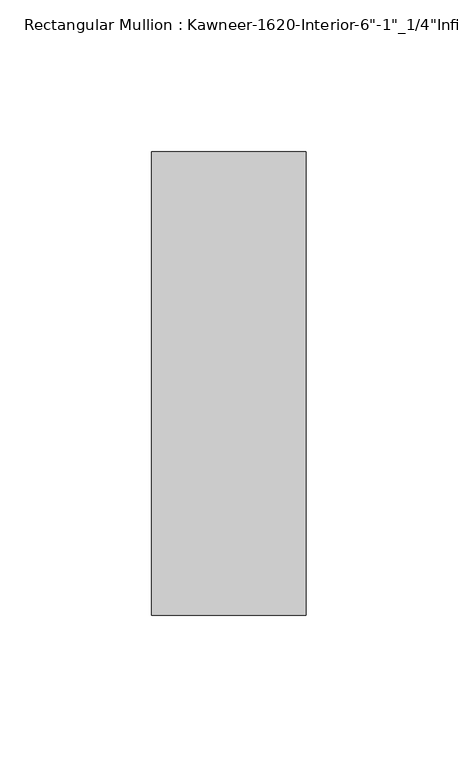
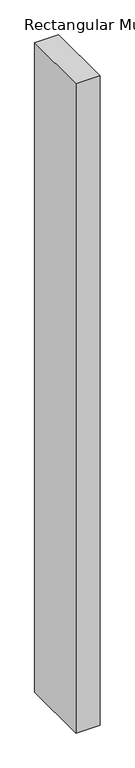
"""IFC4 building model written with IfcOpenShell, lengths in millimetres: member geometry."""

from ifc_helpers import new_model, si_unit, frame, origin, place, context, project, spatial, polyline, outline, extrude, source, transform, mapped, element, save


def member_98226a9d(model_context):
    return source(origin(), model_context, "Body", "SweptSolid", [
        extrude(outline(polyline([(25.4, -123.825), (-25.4, -123.825), (-25.4, 28.575), (25.4, 28.575), (25.4, -123.825)])), frame((0.0, 0.0, -1460.5), z_axis=(0.0, 0.0, 1.0), x_axis=(1.0, 0.0, 0.0)), (0.0, 0.0, 1.0), 1460.5),
    ])


if __name__ == "__main__":
    model = new_model("IFC4")
    model_context = context("Model", 3, world=origin())
    ifc_project = project(units=[si_unit("LENGTHUNIT", "METRE", prefix="MILLI")], contexts=[model_context])
    site = spatial("IfcSite", under=ifc_project)
    building = spatial("IfcBuilding", under=site)
    placement = place(None, origin())
    member_shape = member_98226a9d(model_context)
    element("IfcMember", 1, ObjectType="Rectangular Mullion : Kawneer-1620-Interior-6\"-1\"_1/4\"Infill", at=placement, inside=building, context=model_context, shape_type="MappedRepresentation", body=[
        mapped(member_shape, transform((0.0, 0.0, 0.0), x_axis=(1.0, 0.0, 0.0), y_axis=(0.0, 1.0, 0.0), z_axis=(0.0, 0.0, 1.0))),
    ])
    save(model, "model.ifc")
